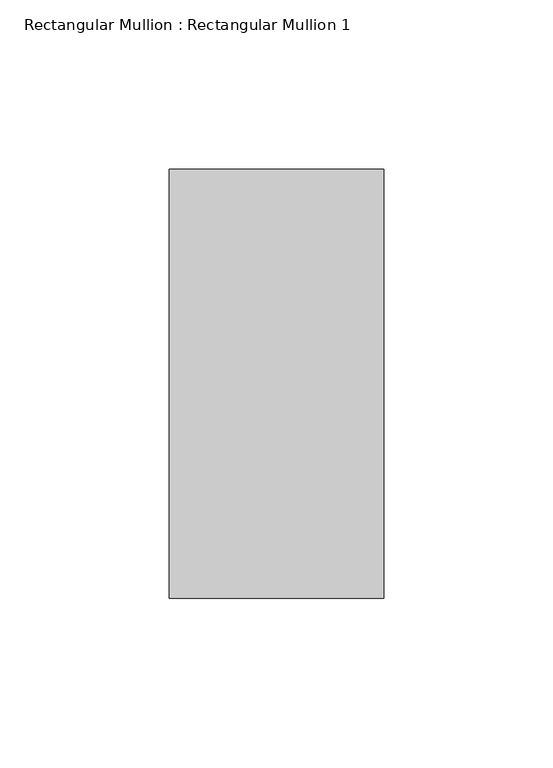
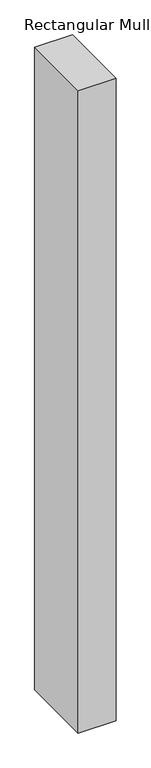
"""IFC4 building model written with IfcOpenShell, lengths in millimetres: member geometry, Rectangular Mullion : Rectangular Mullion 1."""

from ifc_helpers import new_model, si_unit, frame, origin, place, context, project, spatial, polyline, outline, extrude, source, transform, mapped, element, save


def rectangular_mullion_rectangular_mullion_1_1ce5d7ef(model_context):
    return source(origin(), model_context, "Body", "SweptSolid", [
        extrude(outline(polyline([(0.0, 63.5), (0.0, -63.5), (-63.5, -63.5), (-63.5, 63.5), (0.0, 63.5)])), frame((0.0, 0.0, -1143.0), z_axis=(0.0, 0.0, 1.0), x_axis=(1.0, 0.0, 0.0)), (0.0, 0.0, 1.0), 1143.0),
    ])


if __name__ == "__main__":
    model = new_model("IFC4")
    model_context = context("Model", 3, world=origin())
    ifc_project = project(units=[si_unit("LENGTHUNIT", "METRE", prefix="MILLI")], contexts=[model_context])
    site = spatial("IfcSite", under=ifc_project)
    building = spatial("IfcBuilding", under=site)
    placement = place(None, origin())
    rectangular_mullion_rectangular_mullion_1_shape = rectangular_mullion_rectangular_mullion_1_1ce5d7ef(model_context)
    element("IfcMember", 1, ObjectType="Rectangular Mullion : Rectangular Mullion 1", at=placement, inside=building, context=model_context, shape_type="MappedRepresentation", body=[
        mapped(rectangular_mullion_rectangular_mullion_1_shape, transform((0.0, 0.0, 0.0), x_axis=(1.0, 0.0, 0.0), y_axis=(0.0, 1.0, 0.0), z_axis=(0.0, 0.0, 1.0))),
    ])
    save(model, "model.ifc")
